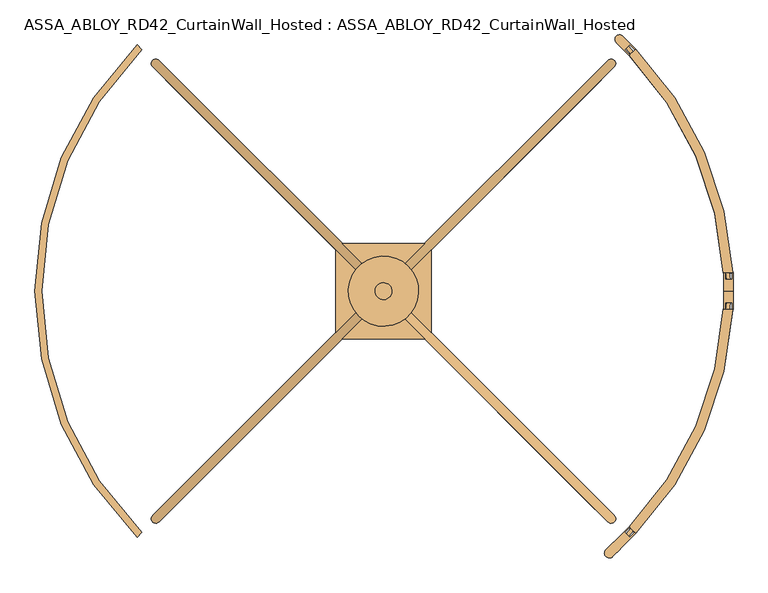
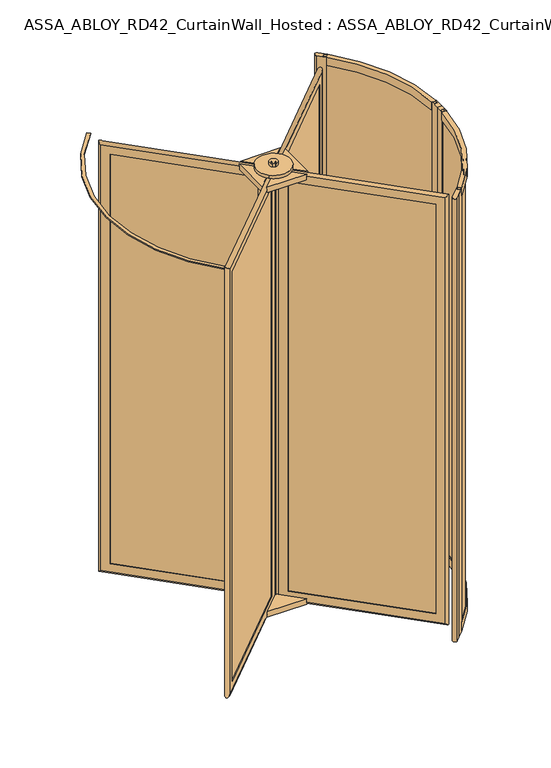
"""IFC4 building model written with IfcOpenShell, lengths in millimetres: door geometry, ASSA_ABLOY_RD42_CurtainWall_Hosted : ASSA_ABLOY_RD42_CurtainWall_Hosted."""

from ifc_helpers import new_model, si_unit, point, frame, frame_2d, origin, origin_with_axes, origin_2d, place, context, project, spatial, polyline, circle_curve, ellipse_curve, trimmed, segment, composite_curve, outline, extrude, source, transform, mapped, element, save
from ifc_brep_helpers import plane_surface, cylinder_surface, revolved_surface, advanced_brep


def assa_abloy_rd42_curtainwall_hosted_assa_abloy_rd42_11ab1eb0(model_context):
    return source(origin(), model_context, "Body", "SolidModel", [
        advanced_brep(
        [(605.2834047, -619.4255403, 105.0), (603.1620844, -621.5468607, 105.0), (603.1620844, -621.5468607, 2673.0), (605.2834047, -619.4255403, 2673.0), (633.5676759, -619.4255403, 85.0), (619.4255403, -633.5676759, 85.0), (619.4255403, -633.5676759, 2693.0), (633.5676759, -619.4255403, 2693.0), (621.5468607, -603.1620844, 105.0), (619.4255403, -605.2834047, 105.0), (619.4255403, -605.2834047, 2673.0), (621.5468607, -603.1620844, 2673.0), (639.931637, -658.3164133, 53.0), (658.3164133, -639.931637, 53.0), (658.3164133, -639.931637, 2725.0), (639.931637, -658.3164133, 2725.0), (48.0832611, -66.4680374, 2673.0), (50.2045815, -64.3467171, 2673.0), (36.0624458, -50.2045815, 2693.0), (50.2045815, -36.0624458, 2693.0), (64.3467171, -50.2045815, 2673.0), (66.4680374, -48.0832611, 2673.0), (29.6984848, -11.3137085, 2725.0), (11.3137085, -29.6984848, 2725.0), (48.0832611, -66.4680374, 105.0), (50.2045815, -64.3467171, 105.0), (36.0624458, -50.2045815, 85.0), (50.2045815, -36.0624458, 85.0), (64.3467171, -50.2045815, 105.0), (66.4680374, -48.0832611, 105.0), (29.6984848, -11.3137085, 53.0), (11.3137085, -29.6984848, 53.0)],
        [
            (0, 1),
            (1, 2),
            (2, 3),
            (3, 0),
            (4, 5),
            (5, 6),
            (6, 7),
            (7, 4),
            (8, 9),
            (9, 10),
            (10, 11),
            (11, 8),
            (12, 13, ellipse_curve(frame((649.1240251, -649.1240251, 53.0), z_axis=(0.4999999999999917, -0.5000000000000084, 0.7071067811865475), x_axis=(0.5000000000000054, -0.4999999999999945, -0.7071067811865476)), 18.3847763, 13.0)),
            (13, 14),
            (14, 15, ellipse_curve(frame((649.1240251, -649.1240251, 2725.0), z_axis=(0.5000000000000054, -0.49999999999999456, -0.7071067811865475), x_axis=(-0.4999999999999915, 0.5000000000000083, -0.7071067811865476)), 18.3847763, 13.0)),
            (15, 12),
            (2, 16),
            (16, 17),
            (17, 3),
            (6, 18),
            (18, 19),
            (19, 7),
            (10, 20),
            (20, 21),
            (21, 11),
            (14, 22),
            (22, 23, ellipse_curve(frame((20.5060967, -20.5060967, 2725.0), z_axis=(0.4999999999999917, -0.5000000000000084, 0.7071067811865475), x_axis=(0.5000000000000054, -0.4999999999999945, -0.7071067811865476)), 18.3847763, 13.0)),
            (23, 15),
            (16, 24),
            (24, 25),
            (25, 17),
            (18, 26),
            (26, 27),
            (27, 19),
            (20, 28),
            (28, 29),
            (29, 21),
            (22, 30),
            (30, 31, ellipse_curve(frame((20.5060967, -20.5060967, 53.0), z_axis=(-0.5000000000000054, 0.49999999999999456, 0.7071067811865475), x_axis=(0.4999999999999915, -0.5000000000000083, 0.7071067811865476)), 18.3847763, 13.0)),
            (31, 23),
            (24, 1),
            (0, 25),
            (5, 26),
            (4, 27),
            (9, 28),
            (8, 29),
            (13, 30),
            (12, 31),
        ],
        [
            plane_surface(frame((603.1620844, -621.5468607, 105.0), z_axis=(-0.7071067811865437, 0.7071067811865513, 0.0), x_axis=(0.0, 0.0, 1.0))),
            plane_surface(frame((619.4255403, -633.5676759, 85.0), z_axis=(-0.7071067811865452, 0.7071067811865498, 0.0), x_axis=(0.0, 0.0, 1.0))),
            plane_surface(frame((619.4255403, -605.2834047, 105.0), z_axis=(-0.7071067811865437, 0.7071067811865513, 0.0), x_axis=(0.0, 0.0, 1.0))),
            cylinder_surface(frame((649.1240251, -649.1240251, 40.0), z_axis=(0.0, 0.0, -1.0), x_axis=(-0.7071067811865456, 0.7071067811865497, 0.0)), 13.0),
            plane_surface(frame((603.1620844, -621.5468607, 2673.0), z_axis=(0.0, 0.0, -1.0), x_axis=(-0.7071067811865455, 0.7071067811865496, 0.0))),
            plane_surface(frame((619.4255403, -633.5676759, 2693.0), z_axis=(0.0, 0.0, -1.0), x_axis=(-0.7071067811865455, 0.7071067811865496, 0.0))),
            plane_surface(frame((619.4255403, -605.2834047, 2673.0), z_axis=(0.0, 0.0, -1.0), x_axis=(-0.7071067811865455, 0.7071067811865496, 0.0))),
            cylinder_surface(frame((658.3164133, -658.3164133, 2725.0), z_axis=(0.7071067811865456, -0.7071067811865497, 0.0), x_axis=(0.0, 0.0, -1.0)), 13.0),
            plane_surface(frame((48.0832611, -66.4680374, 2673.0), z_axis=(0.7071067811865472, -0.7071067811865478, 0.0), x_axis=(0.0, 0.0, -1.0))),
            plane_surface(frame((36.0624458, -50.2045815, 2693.0), z_axis=(0.7071067811865457, -0.7071067811865493, 0.0), x_axis=(0.0, 0.0, -1.0))),
            plane_surface(frame((64.3467171, -50.2045815, 2673.0), z_axis=(0.7071067811865472, -0.7071067811865478, 0.0), x_axis=(0.0, 0.0, -1.0))),
            cylinder_surface(frame((20.5060967, -20.5060967, 2738.0), z_axis=(0.0, 0.0, 1.0), x_axis=(0.7071067811865456, -0.7071067811865497, 0.0)), 13.0),
            plane_surface(frame((48.0832611, -66.4680374, 105.0), z_axis=(0.0, 0.0, 1.0), x_axis=(0.7071067811865455, -0.7071067811865496, 0.0))),
            plane_surface(frame((50.2045815, -64.3467171, 105.0), z_axis=(0.7071067811865496, 0.7071067811865455, 0.0), x_axis=(0.7071067811865455, -0.7071067811865496, 0.0))),
            plane_surface(frame((36.0624458, -50.2045815, 85.0), z_axis=(0.0, 0.0, 1.0), x_axis=(0.7071067811865455, -0.7071067811865496, 0.0))),
            plane_surface(frame((50.2045815, -36.0624458, 85.0), z_axis=(-0.7071067811865496, -0.7071067811865455, 0.0), x_axis=(0.7071067811865455, -0.7071067811865496, 0.0))),
            plane_surface(frame((64.3467171, -50.2045815, 105.0), z_axis=(0.0, 0.0, 1.0), x_axis=(0.7071067811865455, -0.7071067811865496, 0.0))),
            plane_surface(frame((66.4680374, -48.0832611, 105.0), z_axis=(0.7071067811865496, 0.7071067811865455, 0.0), x_axis=(0.7071067811865455, -0.7071067811865496, 0.0))),
            cylinder_surface(frame((11.3137085, -11.3137085, 53.0), z_axis=(-0.7071067811865456, 0.7071067811865497, 0.0), x_axis=(0.0, 0.0, 1.0)), 13.0),
            plane_surface(frame((11.3137085, -29.6984848, 53.0), z_axis=(-0.7071067811865496, -0.7071067811865455, 0.0), x_axis=(0.7071067811865455, -0.7071067811865496, 0.0))),
        ],
        [
            (0, [[1, 2, 3, 4]]),
            (1, [[5, 6, 7, 8]]),
            (2, [[9, 10, 11, 12]]),
            (3, [[13, 14, 15, 16]]),
            (4, [[-3, 17, 18, 19]]),
            (5, [[-7, 20, 21, 22]]),
            (6, [[-11, 23, 24, 25]]),
            (7, [[-15, 26, 27, 28]]),
            (8, [[-18, 29, 30, 31]]),
            (9, [[-21, 32, 33, 34]]),
            (10, [[-24, 35, 36, 37]]),
            (11, [[-27, 38, 39, 40]]),
            (12, [[-30, 41, -1, 42]]),
            (13, [[43, -32, -20, -6], [-19, -31, -42, -4]]),
            (14, [[-33, -43, -5, 44]]),
            (15, [[-22, -34, -44, -8], [45, -35, -23, -10]]),
            (16, [[-36, -45, -9, 46]]),
            (17, [[47, -38, -26, -14], [-25, -37, -46, -12]]),
            (18, [[-39, -47, -13, 48]]),
            (19, [[-28, -40, -48, -16], [-41, -29, -17, -2]]),
        ],
    ),
        extrude(outline(polyline([(630.032142, -622.9610742), (622.9610742, -630.032142), (39.5979797, -46.6690476), (46.6690476, -39.5979797), (630.032142, -622.9610742)])), frame((0.0, 0.0, 85.0), z_axis=(0.0, 0.0, 1.0), x_axis=(1.0, 0.0, 0.0)), (0.0, 0.0, 1.0), 2608.0),
        advanced_brep(
        [(-619.4255403, -605.2834047, 105.0), (-621.5468607, -603.1620844, 105.0), (-621.5468607, -603.1620844, 2673.0), (-619.4255403, -605.2834047, 2673.0), (-619.4255403, -633.5676759, 85.0), (-633.5676759, -619.4255403, 85.0), (-633.5676759, -619.4255403, 2693.0), (-619.4255403, -633.5676759, 2693.0), (-603.1620844, -621.5468607, 105.0), (-605.2834047, -619.4255403, 105.0), (-605.2834047, -619.4255403, 2673.0), (-603.1620844, -621.5468607, 2673.0), (-658.3164133, -639.931637, 53.0), (-639.931637, -658.3164133, 53.0), (-639.931637, -658.3164133, 2725.0), (-658.3164133, -639.931637, 2725.0), (-66.4680374, -48.0832611, 2673.0), (-64.3467171, -50.2045815, 2673.0), (-50.2045815, -36.0624458, 2693.0), (-36.0624458, -50.2045815, 2693.0), (-50.2045815, -64.3467171, 2673.0), (-48.0832611, -66.4680374, 2673.0), (-11.3137085, -29.6984848, 2725.0), (-29.6984848, -11.3137085, 2725.0), (-66.4680374, -48.0832611, 105.0), (-64.3467171, -50.2045815, 105.0), (-50.2045815, -36.0624458, 85.0), (-36.0624458, -50.2045815, 85.0), (-50.2045815, -64.3467171, 105.0), (-48.0832611, -66.4680374, 105.0), (-11.3137085, -29.6984848, 53.0), (-29.6984848, -11.3137085, 53.0)],
        [
            (0, 1),
            (1, 2),
            (2, 3),
            (3, 0),
            (4, 5),
            (5, 6),
            (6, 7),
            (7, 4),
            (8, 9),
            (9, 10),
            (10, 11),
            (11, 8),
            (12, 13, ellipse_curve(frame((-649.1240251, -649.1240251, 53.0), z_axis=(-0.5000000000000089, -0.49999999999999106, 0.7071067811865475), x_axis=(-0.49999999999999495, -0.5000000000000048, -0.7071067811865476)), 18.3847763, 13.0)),
            (13, 14),
            (14, 15, ellipse_curve(frame((-649.1240251, -649.1240251, 2725.0), z_axis=(-0.49999999999999506, -0.5000000000000049, -0.7071067811865475), x_axis=(0.5000000000000088, 0.49999999999999095, -0.7071067811865476)), 18.3847763, 13.0)),
            (15, 12),
            (2, 16),
            (16, 17),
            (17, 3),
            (6, 18),
            (18, 19),
            (19, 7),
            (10, 20),
            (20, 21),
            (21, 11),
            (14, 22),
            (22, 23, ellipse_curve(frame((-20.5060967, -20.5060967, 2725.0), z_axis=(-0.5000000000000089, -0.49999999999999106, 0.7071067811865475), x_axis=(-0.4999999999999951, -0.5000000000000049, -0.7071067811865474)), 18.3847763, 13.0)),
            (23, 15),
            (16, 24),
            (24, 25),
            (25, 17),
            (18, 26),
            (26, 27),
            (27, 19),
            (20, 28),
            (28, 29),
            (29, 21),
            (22, 30),
            (30, 31, ellipse_curve(frame((-20.5060967, -20.5060967, 53.0), z_axis=(0.49999999999999506, 0.5000000000000049, 0.7071067811865475), x_axis=(-0.5000000000000088, -0.49999999999999095, 0.7071067811865476)), 18.3847763, 13.0)),
            (31, 23),
            (24, 1),
            (0, 25),
            (5, 26),
            (4, 27),
            (9, 28),
            (8, 29),
            (13, 30),
            (12, 31),
        ],
        [
            plane_surface(frame((-621.5468607, -603.1620844, 105.0), z_axis=(0.7071067811865521, 0.7071067811865429, 0.0), x_axis=(0.0, 0.0, 1.0))),
            plane_surface(frame((-633.5676759, -619.4255403, 85.0), z_axis=(0.7071067811865506, 0.7071067811865445, 0.0), x_axis=(0.0, 0.0, 1.0))),
            plane_surface(frame((-605.2834047, -619.4255403, 105.0), z_axis=(0.7071067811865521, 0.7071067811865429, 0.0), x_axis=(0.0, 0.0, 1.0))),
            cylinder_surface(frame((-649.1240251, -649.1240251, 40.0), z_axis=(0.0, 0.0, -1.0), x_axis=(0.7071067811865503, 0.7071067811865447, 0.0)), 13.0),
            plane_surface(frame((-621.5468607, -603.1620844, 2673.0), z_axis=(0.0, 0.0, -1.0), x_axis=(0.7071067811865503, 0.7071067811865447, 0.0))),
            plane_surface(frame((-633.5676759, -619.4255403, 2693.0), z_axis=(0.0, 0.0, -1.0), x_axis=(0.7071067811865503, 0.7071067811865447, 0.0))),
            plane_surface(frame((-605.2834047, -619.4255403, 2673.0), z_axis=(0.0, 0.0, -1.0), x_axis=(0.7071067811865503, 0.7071067811865447, 0.0))),
            cylinder_surface(frame((-658.3164133, -658.3164133, 2725.0), z_axis=(-0.7071067811865503, -0.7071067811865447, 0.0), x_axis=(0.0, 0.0, -1.0)), 13.0),
            plane_surface(frame((-66.4680374, -48.0832611, 2673.0), z_axis=(-0.7071067811865486, -0.7071067811865465, 0.0), x_axis=(0.0, 0.0, -1.0))),
            plane_surface(frame((-50.2045815, -36.0624458, 2693.0), z_axis=(-0.7071067811865501, -0.7071067811865449, 0.0), x_axis=(0.0, 0.0, -1.0))),
            plane_surface(frame((-50.2045815, -64.3467171, 2673.0), z_axis=(-0.7071067811865486, -0.7071067811865465, 0.0), x_axis=(0.0, 0.0, -1.0))),
            cylinder_surface(frame((-20.5060967, -20.5060967, 2738.0), z_axis=(0.0, 0.0, 1.0), x_axis=(-0.7071067811865503, -0.7071067811865447, 0.0)), 13.0),
            plane_surface(frame((-66.4680374, -48.0832611, 105.0), z_axis=(0.0, 0.0, 1.0), x_axis=(-0.7071067811865503, -0.7071067811865447, 0.0))),
            plane_surface(frame((-64.3467171, -50.2045815, 105.0), z_axis=(0.7071067811865447, -0.7071067811865503, 0.0), x_axis=(-0.7071067811865503, -0.7071067811865447, 0.0))),
            plane_surface(frame((-50.2045815, -36.0624458, 85.0), z_axis=(0.0, 0.0, 1.0), x_axis=(-0.7071067811865503, -0.7071067811865447, 0.0))),
            plane_surface(frame((-36.0624458, -50.2045815, 85.0), z_axis=(-0.7071067811865447, 0.7071067811865503, 0.0), x_axis=(-0.7071067811865503, -0.7071067811865447, 0.0))),
            plane_surface(frame((-50.2045815, -64.3467171, 105.0), z_axis=(0.0, 0.0, 1.0), x_axis=(-0.7071067811865503, -0.7071067811865447, 0.0))),
            plane_surface(frame((-48.0832611, -66.4680374, 105.0), z_axis=(0.7071067811865447, -0.7071067811865503, 0.0), x_axis=(-0.7071067811865503, -0.7071067811865447, 0.0))),
            cylinder_surface(frame((-11.3137085, -11.3137085, 53.0), z_axis=(0.7071067811865503, 0.7071067811865447, 0.0), x_axis=(0.0, 0.0, 1.0)), 13.0),
            plane_surface(frame((-29.6984848, -11.3137085, 53.0), z_axis=(-0.7071067811865447, 0.7071067811865503, 0.0), x_axis=(-0.7071067811865503, -0.7071067811865447, 0.0))),
        ],
        [
            (0, [[1, 2, 3, 4]]),
            (1, [[5, 6, 7, 8]]),
            (2, [[9, 10, 11, 12]]),
            (3, [[13, 14, 15, 16]]),
            (4, [[-3, 17, 18, 19]]),
            (5, [[-7, 20, 21, 22]]),
            (6, [[-11, 23, 24, 25]]),
            (7, [[-15, 26, 27, 28]]),
            (8, [[-18, 29, 30, 31]]),
            (9, [[-21, 32, 33, 34]]),
            (10, [[-24, 35, 36, 37]]),
            (11, [[-27, 38, 39, 40]]),
            (12, [[-30, 41, -1, 42]]),
            (13, [[43, -32, -20, -6], [-19, -31, -42, -4]]),
            (14, [[-33, -43, -5, 44]]),
            (15, [[-22, -34, -44, -8], [45, -35, -23, -10]]),
            (16, [[-36, -45, -9, 46]]),
            (17, [[47, -38, -26, -14], [-25, -37, -46, -12]]),
            (18, [[-39, -47, -13, 48]]),
            (19, [[-28, -40, -48, -16], [-41, -29, -17, -2]]),
        ],
    ),
        extrude(outline(polyline([(-622.9610742, -630.032142), (-630.032142, -622.9610742), (-46.6690476, -39.5979797), (-39.5979797, -46.6690476), (-622.9610742, -630.032142)])), frame((0.0, 0.0, 85.0), z_axis=(0.0, 0.0, 1.0), x_axis=(1.0, 0.0, 0.0)), (0.0, 0.0, 1.0), 2608.0),
        advanced_brep(
        [(-605.2834047, 619.4255403, 105.0), (-603.1620844, 621.5468607, 105.0), (-603.1620844, 621.5468607, 2673.0), (-605.2834047, 619.4255403, 2673.0), (-633.5676759, 619.4255403, 85.0), (-619.4255403, 633.5676759, 85.0), (-619.4255403, 633.5676759, 2693.0), (-633.5676759, 619.4255403, 2693.0), (-621.5468607, 603.1620844, 105.0), (-619.4255403, 605.2834047, 105.0), (-619.4255403, 605.2834047, 2673.0), (-621.5468607, 603.1620844, 2673.0), (-639.931637, 658.3164133, 53.0), (-658.3164133, 639.931637, 53.0), (-658.3164133, 639.931637, 2725.0), (-639.931637, 658.3164133, 2725.0), (-48.0832611, 66.4680374, 2673.0), (-50.2045815, 64.3467171, 2673.0), (-36.0624458, 50.2045815, 2693.0), (-50.2045815, 36.0624458, 2693.0), (-64.3467171, 50.2045815, 2673.0), (-66.4680374, 48.0832611, 2673.0), (-29.6984848, 11.3137085, 2725.0), (-11.3137085, 29.6984848, 2725.0), (-48.0832611, 66.4680374, 105.0), (-50.2045815, 64.3467171, 105.0), (-36.0624458, 50.2045815, 85.0), (-50.2045815, 36.0624458, 85.0), (-64.3467171, 50.2045815, 105.0), (-66.4680374, 48.0832611, 105.0), (-29.6984848, 11.3137085, 53.0), (-11.3137085, 29.6984848, 53.0)],
        [
            (0, 1),
            (1, 2),
            (2, 3),
            (3, 0),
            (4, 5),
            (5, 6),
            (6, 7),
            (7, 4),
            (8, 9),
            (9, 10),
            (10, 11),
            (11, 8),
            (12, 13, ellipse_curve(frame((-649.1240251, 649.1240251, 53.0), z_axis=(-0.4999999999999913, 0.5000000000000087, 0.7071067811865475), x_axis=(-0.500000000000005, 0.4999999999999947, -0.7071067811865476)), 18.3847763, 13.0)),
            (13, 14),
            (14, 15, ellipse_curve(frame((-649.1240251, 649.1240251, 2725.0), z_axis=(-0.5000000000000051, 0.4999999999999948, -0.7071067811865475), x_axis=(0.4999999999999912, -0.5000000000000085, -0.7071067811865476)), 18.3847763, 13.0)),
            (15, 12),
            (2, 16),
            (16, 17),
            (17, 3),
            (6, 18),
            (18, 19),
            (19, 7),
            (10, 20),
            (20, 21),
            (21, 11),
            (14, 22),
            (22, 23, ellipse_curve(frame((-20.5060967, 20.5060967, 2725.0), z_axis=(-0.4999999999999913, 0.5000000000000087, 0.7071067811865475), x_axis=(-0.5000000000000052, 0.49999999999999495, -0.7071067811865475)), 18.3847763, 13.0)),
            (23, 15),
            (16, 24),
            (24, 25),
            (25, 17),
            (18, 26),
            (26, 27),
            (27, 19),
            (20, 28),
            (28, 29),
            (29, 21),
            (22, 30),
            (30, 31, ellipse_curve(frame((-20.5060967, 20.5060967, 53.0), z_axis=(0.5000000000000051, -0.4999999999999948, 0.7071067811865475), x_axis=(-0.4999999999999912, 0.5000000000000085, 0.7071067811865476)), 18.3847763, 13.0)),
            (31, 23),
            (24, 1),
            (0, 25),
            (5, 26),
            (4, 27),
            (9, 28),
            (8, 29),
            (13, 30),
            (12, 31),
        ],
        [
            plane_surface(frame((-603.1620844, 621.5468607, 105.0), z_axis=(0.7071067811865432, -0.7071067811865518, 0.0), x_axis=(0.0, 0.0, 1.0))),
            plane_surface(frame((-619.4255403, 633.5676759, 85.0), z_axis=(0.7071067811865448, -0.7071067811865502, 0.0), x_axis=(0.0, 0.0, 1.0))),
            plane_surface(frame((-619.4255403, 605.2834047, 105.0), z_axis=(0.7071067811865432, -0.7071067811865518, 0.0), x_axis=(0.0, 0.0, 1.0))),
            cylinder_surface(frame((-649.1240251, 649.1240251, 40.0), z_axis=(0.0, 0.0, -1.0), x_axis=(0.707106781186545, -0.70710678118655, 0.0)), 13.0),
            plane_surface(frame((-603.1620844, 621.5468607, 2673.0), z_axis=(0.0, 0.0, -1.0), x_axis=(0.707106781186545, -0.70710678118655, 0.0))),
            plane_surface(frame((-619.4255403, 633.5676759, 2693.0), z_axis=(0.0, 0.0, -1.0), x_axis=(0.707106781186545, -0.70710678118655, 0.0))),
            plane_surface(frame((-619.4255403, 605.2834047, 2673.0), z_axis=(0.0, 0.0, -1.0), x_axis=(0.707106781186545, -0.70710678118655, 0.0))),
            cylinder_surface(frame((-658.3164133, 658.3164133, 2725.0), z_axis=(-0.707106781186545, 0.70710678118655, 0.0), x_axis=(0.0, 0.0, -1.0)), 13.0),
            plane_surface(frame((-48.0832611, 66.4680374, 2673.0), z_axis=(-0.7071067811865468, 0.7071067811865482, 0.0), x_axis=(0.0, 0.0, -1.0))),
            plane_surface(frame((-36.0624458, 50.2045815, 2693.0), z_axis=(-0.7071067811865452, 0.7071067811865498, 0.0), x_axis=(0.0, 0.0, -1.0))),
            plane_surface(frame((-64.3467171, 50.2045815, 2673.0), z_axis=(-0.7071067811865468, 0.7071067811865482, 0.0), x_axis=(0.0, 0.0, -1.0))),
            cylinder_surface(frame((-20.5060967, 20.5060967, 2738.0), z_axis=(0.0, 0.0, 1.0), x_axis=(-0.707106781186545, 0.70710678118655, 0.0)), 13.0),
            plane_surface(frame((-48.0832611, 66.4680374, 105.0), z_axis=(0.0, 0.0, 1.0), x_axis=(-0.707106781186545, 0.70710678118655, 0.0))),
            plane_surface(frame((-50.2045815, 64.3467171, 105.0), z_axis=(-0.70710678118655, -0.707106781186545, 0.0), x_axis=(-0.707106781186545, 0.70710678118655, 0.0))),
            plane_surface(frame((-36.0624458, 50.2045815, 85.0), z_axis=(0.0, 0.0, 1.0), x_axis=(-0.707106781186545, 0.70710678118655, 0.0))),
            plane_surface(frame((-50.2045815, 36.0624458, 85.0), z_axis=(0.70710678118655, 0.707106781186545, 0.0), x_axis=(-0.707106781186545, 0.70710678118655, 0.0))),
            plane_surface(frame((-64.3467171, 50.2045815, 105.0), z_axis=(0.0, 0.0, 1.0), x_axis=(-0.707106781186545, 0.70710678118655, 0.0))),
            plane_surface(frame((-66.4680374, 48.0832611, 105.0), z_axis=(-0.70710678118655, -0.707106781186545, 0.0), x_axis=(-0.707106781186545, 0.70710678118655, 0.0))),
            cylinder_surface(frame((-11.3137085, 11.3137085, 53.0), z_axis=(0.707106781186545, -0.70710678118655, 0.0), x_axis=(0.0, 0.0, 1.0)), 13.0),
            plane_surface(frame((-11.3137085, 29.6984848, 53.0), z_axis=(0.70710678118655, 0.707106781186545, 0.0), x_axis=(-0.707106781186545, 0.70710678118655, 0.0))),
        ],
        [
            (0, [[1, 2, 3, 4]]),
            (1, [[5, 6, 7, 8]]),
            (2, [[9, 10, 11, 12]]),
            (3, [[13, 14, 15, 16]]),
            (4, [[-3, 17, 18, 19]]),
            (5, [[-7, 20, 21, 22]]),
            (6, [[-11, 23, 24, 25]]),
            (7, [[-15, 26, 27, 28]]),
            (8, [[-18, 29, 30, 31]]),
            (9, [[-21, 32, 33, 34]]),
            (10, [[-24, 35, 36, 37]]),
            (11, [[-27, 38, 39, 40]]),
            (12, [[-30, 41, -1, 42]]),
            (13, [[43, -32, -20, -6], [-19, -31, -42, -4]]),
            (14, [[-33, -43, -5, 44]]),
            (15, [[-22, -34, -44, -8], [45, -35, -23, -10]]),
            (16, [[-36, -45, -9, 46]]),
            (17, [[47, -38, -26, -14], [-25, -37, -46, -12]]),
            (18, [[-39, -47, -13, 48]]),
            (19, [[-28, -40, -48, -16], [-41, -29, -17, -2]]),
        ],
    ),
        extrude(outline(polyline([(-630.032142, 622.9610742), (-622.9610742, 630.032142), (-39.5979797, 46.6690476), (-46.6690476, 39.5979797), (-630.032142, 622.9610742)])), frame((0.0, 0.0, 85.0), z_axis=(0.0, 0.0, 1.0), x_axis=(1.0, 0.0, 0.0)), (0.0, 0.0, 1.0), 2608.0),
        advanced_brep(
        [(619.4255403, 605.2834047, 105.0), (621.5468607, 603.1620844, 105.0), (621.5468607, 603.1620844, 2673.0), (619.4255403, 605.2834047, 2673.0), (619.4255403, 633.5676759, 85.0), (633.5676759, 619.4255403, 85.0), (633.5676759, 619.4255403, 2693.0), (619.4255403, 633.5676759, 2693.0), (603.1620844, 621.5468607, 105.0), (605.2834047, 619.4255403, 105.0), (605.2834047, 619.4255403, 2673.0), (603.1620844, 621.5468607, 2673.0), (658.3164133, 639.931637, 53.0), (639.931637, 658.3164133, 53.0), (639.931637, 658.3164133, 2725.0), (658.3164133, 639.931637, 2725.0), (66.4680374, 48.0832611, 2673.0), (64.3467171, 50.2045815, 2673.0), (50.2045815, 36.0624458, 2693.0), (36.0624458, 50.2045815, 2693.0), (50.2045815, 64.3467171, 2673.0), (48.0832611, 66.4680374, 2673.0), (11.3137085, 29.6984848, 2725.0), (29.6984848, 11.3137085, 2725.0), (66.4680374, 48.0832611, 105.0), (64.3467171, 50.2045815, 105.0), (50.2045815, 36.0624458, 85.0), (36.0624458, 50.2045815, 85.0), (50.2045815, 64.3467171, 105.0), (48.0832611, 66.4680374, 105.0), (11.3137085, 29.6984848, 53.0), (29.6984848, 11.3137085, 53.0)],
        [
            (0, 1),
            (1, 2),
            (2, 3),
            (3, 0),
            (4, 5),
            (5, 6),
            (6, 7),
            (7, 4),
            (8, 9),
            (9, 10),
            (10, 11),
            (11, 8),
            (12, 13, ellipse_curve(frame((649.1240251, 649.1240251, 53.0), z_axis=(0.5000000000000073, 0.4999999999999926, 0.7071067811865475), x_axis=(0.4999999999999934, 0.5000000000000063, -0.7071067811865476)), 18.3847763, 13.0)),
            (13, 14),
            (14, 15, ellipse_curve(frame((649.1240251, 649.1240251, 2725.0), z_axis=(0.49999999999999345, 0.5000000000000064, -0.7071067811865475), x_axis=(-0.5000000000000072, -0.4999999999999925, -0.7071067811865476)), 18.3847763, 13.0)),
            (15, 12),
            (2, 16),
            (16, 17),
            (17, 3),
            (6, 18),
            (18, 19),
            (19, 7),
            (10, 20),
            (20, 21),
            (21, 11),
            (14, 22),
            (22, 23, ellipse_curve(frame((20.5060967, 20.5060967, 2725.0), z_axis=(0.5000000000000073, 0.4999999999999926, 0.7071067811865475), x_axis=(0.4999999999999936, 0.5000000000000066, -0.7071067811865475)), 18.3847763, 13.0)),
            (23, 15),
            (16, 24),
            (24, 25),
            (25, 17),
            (18, 26),
            (26, 27),
            (27, 19),
            (20, 28),
            (28, 29),
            (29, 21),
            (22, 30),
            (30, 31, ellipse_curve(frame((20.5060967, 20.5060967, 53.0), z_axis=(-0.49999999999999345, -0.5000000000000064, 0.7071067811865475), x_axis=(0.5000000000000072, 0.4999999999999925, 0.7071067811865476)), 18.3847763, 13.0)),
            (31, 23),
            (24, 1),
            (0, 25),
            (5, 26),
            (4, 27),
            (9, 28),
            (8, 29),
            (13, 30),
            (12, 31),
        ],
        [
            plane_surface(frame((621.5468607, 603.1620844, 105.0), z_axis=(-0.7071067811865499, -0.7071067811865451, 0.0), x_axis=(0.0, 0.0, 1.0))),
            plane_surface(frame((633.5676759, 619.4255403, 85.0), z_axis=(-0.7071067811865483, -0.7071067811865467, 0.0), x_axis=(0.0, 0.0, 1.0))),
            plane_surface(frame((605.2834047, 619.4255403, 105.0), z_axis=(-0.7071067811865499, -0.7071067811865451, 0.0), x_axis=(0.0, 0.0, 1.0))),
            cylinder_surface(frame((649.1240251, 649.1240251, 40.0), z_axis=(0.0, 0.0, -1.0), x_axis=(-0.7071067811865481, -0.7071067811865469, 0.0)), 13.0),
            plane_surface(frame((621.5468607, 603.1620844, 2673.0), z_axis=(0.0, 0.0, -1.0), x_axis=(-0.7071067811865481, -0.7071067811865469, 0.0))),
            plane_surface(frame((633.5676759, 619.4255403, 2693.0), z_axis=(0.0, 0.0, -1.0), x_axis=(-0.7071067811865481, -0.7071067811865469, 0.0))),
            plane_surface(frame((605.2834047, 619.4255403, 2673.0), z_axis=(0.0, 0.0, -1.0), x_axis=(-0.7071067811865481, -0.7071067811865469, 0.0))),
            cylinder_surface(frame((658.3164133, 658.3164133, 2725.0), z_axis=(0.7071067811865481, 0.7071067811865469, 0.0), x_axis=(0.0, 0.0, -1.0)), 13.0),
            plane_surface(frame((66.4680374, 48.0832611, 2673.0), z_axis=(0.7071067811865464, 0.7071067811865487, 0.0), x_axis=(0.0, 0.0, -1.0))),
            plane_surface(frame((50.2045815, 36.0624458, 2693.0), z_axis=(0.7071067811865479, 0.7071067811865471, 0.0), x_axis=(0.0, 0.0, -1.0))),
            plane_surface(frame((50.2045815, 64.3467171, 2673.0), z_axis=(0.7071067811865464, 0.7071067811865487, 0.0), x_axis=(0.0, 0.0, -1.0))),
            cylinder_surface(frame((20.5060967, 20.5060967, 2738.0), z_axis=(0.0, 0.0, 1.0), x_axis=(0.7071067811865481, 0.7071067811865469, 0.0)), 13.0),
            plane_surface(frame((66.4680374, 48.0832611, 105.0), z_axis=(0.0, 0.0, 1.0), x_axis=(0.7071067811865481, 0.7071067811865469, 0.0))),
            plane_surface(frame((64.3467171, 50.2045815, 105.0), z_axis=(-0.7071067811865469, 0.7071067811865481, 0.0), x_axis=(0.7071067811865481, 0.7071067811865469, 0.0))),
            plane_surface(frame((50.2045815, 36.0624458, 85.0), z_axis=(0.0, 0.0, 1.0), x_axis=(0.7071067811865481, 0.7071067811865469, 0.0))),
            plane_surface(frame((36.0624458, 50.2045815, 85.0), z_axis=(0.7071067811865469, -0.7071067811865481, 0.0), x_axis=(0.7071067811865481, 0.7071067811865469, 0.0))),
            plane_surface(frame((50.2045815, 64.3467171, 105.0), z_axis=(0.0, 0.0, 1.0), x_axis=(0.7071067811865481, 0.7071067811865469, 0.0))),
            plane_surface(frame((48.0832611, 66.4680374, 105.0), z_axis=(-0.7071067811865469, 0.7071067811865481, 0.0), x_axis=(0.7071067811865481, 0.7071067811865469, 0.0))),
            cylinder_surface(frame((11.3137085, 11.3137085, 53.0), z_axis=(-0.7071067811865481, -0.7071067811865469, 0.0), x_axis=(0.0, 0.0, 1.0)), 13.0),
            plane_surface(frame((29.6984848, 11.3137085, 53.0), z_axis=(0.7071067811865469, -0.7071067811865481, 0.0), x_axis=(0.7071067811865481, 0.7071067811865469, 0.0))),
        ],
        [
            (0, [[1, 2, 3, 4]]),
            (1, [[5, 6, 7, 8]]),
            (2, [[9, 10, 11, 12]]),
            (3, [[13, 14, 15, 16]]),
            (4, [[-3, 17, 18, 19]]),
            (5, [[-7, 20, 21, 22]]),
            (6, [[-11, 23, 24, 25]]),
            (7, [[-15, 26, 27, 28]]),
            (8, [[-18, 29, 30, 31]]),
            (9, [[-21, 32, 33, 34]]),
            (10, [[-24, 35, 36, 37]]),
            (11, [[-27, 38, 39, 40]]),
            (12, [[-30, 41, -1, 42]]),
            (13, [[43, -32, -20, -6], [-19, -31, -42, -4]]),
            (14, [[-33, -43, -5, 44]]),
            (15, [[-22, -34, -44, -8], [45, -35, -23, -10]]),
            (16, [[-36, -45, -9, 46]]),
            (17, [[47, -38, -26, -14], [-25, -37, -46, -12]]),
            (18, [[-39, -47, -13, 48]]),
            (19, [[-28, -40, -48, -16], [-41, -29, -17, -2]]),
        ],
    ),
        extrude(outline(polyline([(622.9610742, 630.032142), (630.032142, 622.9610742), (46.6690476, 39.5979797), (39.5979797, 46.6690476), (622.9610742, 630.032142)])), frame((0.0, 0.0, 85.0), z_axis=(0.0, 0.0, 1.0), x_axis=(1.0, 0.0, 0.0)), (0.0, 0.0, 1.0), 2608.0),
        extrude(outline(composite_curve([segment(trimmed(circle_curve(origin_2d(), 24.0), [point((-16.9705627, -16.9705627))], [point((16.9705627, 16.9705627))], False, "CARTESIAN"), True, "CONTINUOUS"), segment(trimmed(circle_curve(origin_2d(), 24.0), [point((16.9705627, 16.9705627))], [point((-16.9705627, -16.9705627))], False, "CARTESIAN"), True, "CONTINUOUS")], self_intersect=False)), origin_with_axes(), (0.0, 0.0, 1.0), 20.0),
        extrude(outline(composite_curve([segment(trimmed(circle_curve(origin_2d(), 100.0), [point((-70.7106781, -70.7106781))], [point((70.7106781, 70.7106781))], False, "CARTESIAN"), True, "CONTINUOUS"), segment(trimmed(circle_curve(origin_2d(), 100.0), [point((70.7106781, 70.7106781))], [point((-70.7106781, -70.7106781))], False, "CARTESIAN"), True, "CONTINUOUS")], self_intersect=False)), frame((0.0, 0.0, 20.0), z_axis=(0.0, 0.0, 1.0), x_axis=(1.0, 0.0, 0.0)), (0.0, 0.0, 1.0), 20.0),
        extrude(outline(composite_curve([segment(trimmed(circle_curve(origin_2d(), 24.0), [point((16.9705627, 16.9705627))], [point((-16.9705627, -16.9705627))], False, "CARTESIAN"), True, "CONTINUOUS"), segment(trimmed(circle_curve(origin_2d(), 24.0), [point((-16.9705627, -16.9705627))], [point((16.9705627, 16.9705627))], False, "CARTESIAN"), True, "CONTINUOUS")], self_intersect=False)), frame((0.0, 0.0, 2758.0), z_axis=(0.0, 0.0, 1.0), x_axis=(1.0, 0.0, 0.0)), (0.0, 0.0, 1.0), 20.0),
        extrude(outline(composite_curve([segment(trimmed(circle_curve(origin_2d(), 100.0), [point((70.7106781, 70.7106781))], [point((-70.7106781, -70.7106781))], False, "CARTESIAN"), True, "CONTINUOUS"), segment(trimmed(circle_curve(origin_2d(), 100.0), [point((-70.7106781, -70.7106781))], [point((70.7106781, 70.7106781))], False, "CARTESIAN"), True, "CONTINUOUS")], self_intersect=False)), frame((0.0, 0.0, 2738.0), z_axis=(0.0, 0.0, 1.0), x_axis=(1.0, 0.0, 0.0)), (0.0, 0.0, 1.0), 20.0),
        extrude(outline(composite_curve([segment(trimmed(circle_curve(origin_2d(), 12.5), [point((-8.8388348, -8.8388348))], [point((8.8388348, 8.8388348))], False, "CARTESIAN"), True, "CONTINUOUS"), segment(trimmed(circle_curve(origin_2d(), 12.5), [point((8.8388348, 8.8388348))], [point((-8.8388348, -8.8388348))], False, "CARTESIAN"), True, "CONTINUOUS")], self_intersect=False)), origin_with_axes(), (0.0, 0.0, 1.0), 2778.0),
        extrude(outline(polyline([(-136.0, 117.6152237), (-18.3847763, 0.0), (-136.0, -117.6152237), (-136.0, 117.6152237)])), frame((0.0, 0.0, 2703.0), z_axis=(0.0, 0.0, 1.0), x_axis=(1.0, 0.0, 0.0)), (0.0, 0.0, 1.0), 35.0),
        extrude(outline(polyline([(-117.6152237, -136.0), (0.0, -18.3847763), (117.6152237, -136.0), (-117.6152237, -136.0)])), frame((0.0, 0.0, 2703.0), z_axis=(0.0, 0.0, 1.0), x_axis=(1.0, 0.0, 0.0)), (0.0, 0.0, 1.0), 35.0),
        extrude(outline(polyline([(136.0, -117.6152237), (18.3847763, 0.0), (136.0, 117.6152237), (136.0, -117.6152237)])), frame((0.0, 0.0, 2703.0), z_axis=(0.0, 0.0, 1.0), x_axis=(1.0, 0.0, 0.0)), (0.0, 0.0, 1.0), 35.0),
        extrude(outline(polyline([(117.6152237, 136.0), (0.0, 18.3847763), (-117.6152237, 136.0), (117.6152237, 136.0)])), frame((0.0, 0.0, 2703.0), z_axis=(0.0, 0.0, 1.0), x_axis=(1.0, 0.0, 0.0)), (0.0, 0.0, 1.0), 35.0),
        extrude(outline(polyline([(-136.0, 117.6152237), (-18.3847763, 0.0), (-136.0, -117.6152237), (-136.0, 117.6152237)])), frame((0.0, 0.0, 40.0), z_axis=(0.0, 0.0, 1.0), x_axis=(1.0, 0.0, 0.0)), (0.0, 0.0, 1.0), 35.0),
        extrude(outline(polyline([(-117.6152237, -136.0), (0.0, -18.3847763), (117.6152237, -136.0), (-117.6152237, -136.0)])), frame((0.0, 0.0, 40.0), z_axis=(0.0, 0.0, 1.0), x_axis=(1.0, 0.0, 0.0)), (0.0, 0.0, 1.0), 35.0),
        extrude(outline(polyline([(136.0, -117.6152237), (18.3847763, 0.0), (136.0, 117.6152237), (136.0, -117.6152237)])), frame((0.0, 0.0, 40.0), z_axis=(0.0, 0.0, 1.0), x_axis=(1.0, 0.0, 0.0)), (0.0, 0.0, 1.0), 35.0),
        extrude(outline(polyline([(117.6152237, 136.0), (0.0, 18.3847763), (-117.6152237, 136.0), (117.6152237, 136.0)])), frame((0.0, 0.0, 40.0), z_axis=(0.0, 0.0, 1.0), x_axis=(1.0, 0.0, 0.0)), (0.0, 0.0, 1.0), 35.0),
        extrude(outline(composite_curve([segment(trimmed(circle_curve(origin_2d(), 974.0), [point((-688.7220049, 688.7220049))], [point((-688.7220049, -688.7220049))], True, "CARTESIAN"), True, "CONTINUOUS"), segment(polyline([(-688.7220049, -688.7220049), (-702.8641405, -702.8641405)]), True, "CONTINUOUS"), segment(trimmed(circle_curve(origin_2d(), 994.0), [point((-702.8641405, -702.8641405))], [point((-702.8641405, 702.8641405))], False, "CARTESIAN"), True, "CONTINUOUS"), segment(polyline([(-702.8641405, 702.8641405), (-688.7220049, 688.7220049)]), True, "CONTINUOUS")], self_intersect=False)), frame((0.0, 0.0, 2773.0), z_axis=(0.0, 0.0, 1.0), x_axis=(1.0, 0.0, 0.0)), (0.0, 0.0, 1.0), 5.0),
        extrude(outline(composite_curve([segment(trimmed(circle_curve(origin_2d(), 989.0), [point((699.3286066, 699.3286066))], [point((988.4436781, 33.1676829))], False, "CARTESIAN"), True, "CONTINUOUS"), segment(polyline([(988.4436781, 33.1676829), (978.4493032, 32.8323171)]), True, "CONTINUOUS"), segment(trimmed(circle_curve(origin_2d(), 979.0), [point((978.4493032, 32.8323171))], [point((692.2575388, 692.2575388))], True, "CARTESIAN"), True, "CONTINUOUS"), segment(polyline([(692.2575388, 692.2575388), (699.3286066, 699.3286066)]), True, "CONTINUOUS")], self_intersect=False)), frame((0.0, 0.0, 33.0), z_axis=(0.0, 0.0, 1.0), x_axis=(1.0, 0.0, 0.0)), (0.0, 0.0, 1.0), 2715.0),
        extrude(outline(composite_curve([segment(trimmed(circle_curve(origin_2d(), 989.0), [point((988.4436781, -33.1676829))], [point((699.3286066, -699.3286066))], False, "CARTESIAN"), True, "CONTINUOUS"), segment(polyline([(699.3286066, -699.3286066), (692.2575388, -692.2575388)]), True, "CONTINUOUS"), segment(trimmed(circle_curve(origin_2d(), 979.0), [point((692.2575388, -692.2575388))], [point((978.4493032, -32.8323171))], True, "CARTESIAN"), True, "CONTINUOUS"), segment(polyline([(978.4493032, -32.8323171), (988.4436781, -33.1676829)]), True, "CONTINUOUS")], self_intersect=False)), frame((0.0, 0.0, 33.0), z_axis=(0.0, 0.0, 1.0), x_axis=(1.0, 0.0, 0.0)), (0.0, 0.0, 1.0), 2715.0),
        extrude(outline(composite_curve([segment(polyline([(702.863883, -702.863883), (717.0060186, -688.7217474), (719.1270815, -690.8428103), (674.5793543, -735.3905375), (675.2864632, -736.0976464), (654.0719672, -757.3121425)]), True, "CONTINUOUS"), segment(trimmed(circle_curve(frame_2d((644.1727276, -747.4129028)), 13.9996389), [point((654.0719672, -757.3121425))], [point((634.273488, -737.5136632))], False, "CARTESIAN"), True, "CONTINUOUS"), segment(polyline([(634.273488, -737.5136632), (655.487984, -716.2991672), (656.1950929, -717.0062761), (700.7428202, -672.4585489), (702.863883, -674.5796118), (688.7217474, -688.7217474), (702.863883, -702.863883)]), True, "CONTINUOUS")], self_intersect=False)), origin_with_axes(), (0.0, 0.0, 1.0), 2778.0),
        extrude(outline(composite_curve([segment(polyline([(702.863883, 702.863883), (688.7217474, 688.7217474), (702.863883, 674.5796118), (700.7428202, 672.4585489), (663.9730099, 709.2283592)]), True, "CONTINUOUS"), segment(trimmed(circle_curve(frame_2d((673.1651406, 718.4204898)), 12.9996359), [point((663.9730099, 709.2283592))], [point((682.3572713, 727.6126205))], False, "CARTESIAN"), True, "CONTINUOUS"), segment(polyline([(682.3572713, 727.6126205), (719.1270815, 690.8428103), (717.0060186, 688.7217474), (702.863883, 702.863883)]), True, "CONTINUOUS")], self_intersect=False)), origin_with_axes(), (0.0, 0.0, 1.0), 2778.0),
        advanced_brep(
        [(700.2358565, 672.6891892, 0.0), (700.2358565, 672.6891892, 53.0), (702.3993041, 674.7675286, 53.0), (702.3993041, 674.7675286, 33.0), (716.8222877, 688.6231246, 33.0), (716.8222877, 688.6231246, 53.0), (718.9857353, 690.701464, 53.0), (718.9857353, 690.701464, 0.0), (969.6270403, 51.6178536, 0.0), (995.5902772, 53.0, 0.0), (995.5902772, 53.0, 53.0), (992.5945191, 52.8405216, 53.0), (992.5945191, 52.8405216, 33.0), (972.6227984, 51.777332, 33.0), (972.6227984, 51.777332, 53.0), (969.6270403, 51.6178536, 53.0)],
        [
            (0, 1),
            (1, 2),
            (2, 3),
            (3, 4),
            (4, 5),
            (5, 6),
            (6, 7),
            (7, 0),
            (8, 9),
            (9, 10),
            (10, 11),
            (11, 12),
            (12, 13),
            (13, 14),
            (14, 15),
            (15, 8),
            (15, 1, circle_curve(frame((0.0, 0.0, 53.0), z_axis=(0.0, 0.0, 1.0), x_axis=(0.7211491828452432, 0.6927798034596837, 0.0)), 971.0)),
            (0, 8, circle_curve(frame((0.0, 0.0, 0.0), z_axis=(0.0, 0.0, -1.0), x_axis=(0.7211491828452432, 0.6927798034596837, 0.0)), 971.0)),
            (14, 2, circle_curve(frame((0.0, 0.0, 53.0), z_axis=(0.0, 0.0, 1.0), x_axis=(0.7211491828452432, 0.6927798034596837, 0.0)), 974.0)),
            (13, 3, circle_curve(frame((0.0, 0.0, 33.0), z_axis=(0.0, 0.0, 1.0), x_axis=(0.7211491828452432, 0.6927798034596837, 0.0)), 974.0)),
            (12, 4, circle_curve(frame((0.0, 0.0, 33.0), z_axis=(0.0, 0.0, 1.0), x_axis=(0.7211491828452432, 0.6927798034596837, 0.0)), 994.0)),
            (11, 5, circle_curve(frame((0.0, 0.0, 53.0), z_axis=(0.0, 0.0, 1.0), x_axis=(0.7211491828452432, 0.6927798034596837, 0.0)), 994.0)),
            (10, 6, circle_curve(frame((0.0, 0.0, 53.0), z_axis=(0.0, 0.0, 1.0), x_axis=(0.7211491828452432, 0.6927798034596837, 0.0)), 997.0)),
            (9, 7, circle_curve(frame((0.0, 0.0, 0.0), z_axis=(0.0, 0.0, 1.0), x_axis=(0.7211491828452432, 0.6927798034596837, 0.0)), 997.0)),
        ],
        [
            plane_surface(frame((718.9857353, 690.701464, 0.0), z_axis=(-0.6927798034596837, 0.7211491828452432, 0.0), x_axis=(0.0, 0.0, 1.0))),
            plane_surface(frame((995.5902772, 53.0, 0.0), z_axis=(0.053159478435430674, -0.9985860352781193, 0.0), x_axis=(0.0, 0.0, 1.0))),
            revolved_surface(polyline([(700.2358565427312, 672.6891891593528, 0.0), (700.2358565427312, 672.6891891593528, 53.0)]), (0.0, 0.0, 0.0), (0.0, 0.0, -1.0)),
            plane_surface(frame((0.0, 0.0, 53.0), z_axis=(0.0, 0.0, 1.0), x_axis=(0.7211491828452432, 0.6927798034596837, 0.0))),
            cylinder_surface(frame((0.0, 0.0, 0.0), z_axis=(0.0, 0.0, -1.0), x_axis=(0.7211491828452432, 0.6927798034596837, 0.0)), 974.0),
            plane_surface(frame((0.0, 0.0, 33.0), z_axis=(0.0, 0.0, 1.0), x_axis=(0.7211491828452432, 0.6927798034596837, 0.0))),
            revolved_surface(polyline([(716.8222877481718, 688.6231246389256, 33.0), (716.8222877481718, 688.6231246389256, 53.0)]), (0.0, 0.0, 0.0), (0.0, 0.0, -1.0)),
            cylinder_surface(frame((0.0, 0.0, 0.0), z_axis=(0.0, 0.0, -1.0), x_axis=(0.7211491828452432, 0.6927798034596837, 0.0)), 997.0),
            plane_surface(frame((0.0, 0.0, 0.0), z_axis=(0.0, 0.0, -1.0), x_axis=(0.7211491828452432, 0.6927798034596837, 0.0))),
        ],
        [
            (0, [[1, 2, 3, 4, 5, 6, 7, 8]]),
            (1, [[9, 10, 11, 12, 13, 14, 15, 16]]),
            (2, [[17, -1, 18, -16]]),
            (3, [[19, -2, -17, -15]]),
            (4, [[20, -3, -19, -14]]),
            (5, [[21, -4, -20, -13]]),
            (6, [[22, -5, -21, -12]]),
            (3, [[23, -6, -22, -11]]),
            (7, [[24, -7, -23, -10]]),
            (8, [[-18, -8, -24, -9]]),
        ],
    ),
        advanced_brep(
        [(969.6270403, 51.6178536, 2778.0), (969.6270403, 51.6178536, 2728.0), (972.6227984, 51.777332, 2728.0), (972.6227984, 51.777332, 2748.0), (992.5945191, 52.8405216, 2748.0), (992.5945191, 52.8405216, 2728.0), (995.5902772, 53.0, 2728.0), (995.5902772, 53.0, 2778.0), (700.2358565, 672.6891892, 2778.0), (718.9857353, 690.701464, 2778.0), (718.9857353, 690.701464, 2728.0), (716.8222877, 688.6231246, 2728.0), (716.8222877, 688.6231246, 2748.0), (702.3993041, 674.7675286, 2748.0), (702.3993041, 674.7675286, 2728.0), (700.2358565, 672.6891892, 2728.0)],
        [
            (0, 1),
            (1, 2),
            (2, 3),
            (3, 4),
            (4, 5),
            (5, 6),
            (6, 7),
            (7, 0),
            (8, 9),
            (9, 10),
            (10, 11),
            (11, 12),
            (12, 13),
            (13, 14),
            (14, 15),
            (15, 8),
            (15, 1, circle_curve(frame((0.0, 0.0, 2728.0), z_axis=(0.0, 0.0, -1.0), x_axis=(0.9985860352779962, 0.053159478437741485, 0.0)), 971.0)),
            (0, 8, circle_curve(frame((0.0, 0.0, 2778.0), z_axis=(0.0, 0.0, 1.0), x_axis=(0.9985860352779962, 0.053159478437741485, 0.0)), 971.0)),
            (14, 2, circle_curve(frame((0.0, 0.0, 2728.0), z_axis=(0.0, 0.0, -1.0), x_axis=(0.9985860352779962, 0.053159478437741485, 0.0)), 974.0)),
            (9, 7, circle_curve(frame((0.0, 0.0, 2778.0), z_axis=(0.0, 0.0, -1.0), x_axis=(0.9985860352779962, 0.053159478437741485, 0.0)), 997.0)),
            (6, 10, circle_curve(frame((0.0, 0.0, 2728.0), z_axis=(0.0, 0.0, 1.0), x_axis=(0.9985860352779962, 0.053159478437741485, 0.0)), 997.0)),
            (13, 3, circle_curve(frame((0.0, 0.0, 2748.0), z_axis=(0.0, 0.0, -1.0), x_axis=(0.9985860352779962, 0.053159478437741485, 0.0)), 974.0)),
            (12, 4, circle_curve(frame((0.0, 0.0, 2748.0), z_axis=(0.0, 0.0, -1.0), x_axis=(0.9985860352779962, 0.053159478437741485, 0.0)), 994.0)),
            (11, 5, circle_curve(frame((0.0, 0.0, 2728.0), z_axis=(0.0, 0.0, -1.0), x_axis=(0.9985860352779962, 0.053159478437741485, 0.0)), 994.0)),
        ],
        [
            plane_surface(frame((995.5902772, 53.0, 2778.0), z_axis=(0.05315947843774149, -0.9985860352779962, 0.0), x_axis=(0.0, 0.0, 1.0))),
            plane_surface(frame((718.9857353, 690.701464, 2778.0), z_axis=(-0.692779803459834, 0.7211491828450988, 0.0), x_axis=(0.0, 0.0, 1.0))),
            revolved_surface(polyline([(969.6270402549343, 51.617853563046985, 2778.0), (969.6270402549343, 51.617853563046985, 2728.0)]), (0.0, 0.0, 2778.0), (0.0, 0.0, 1.0)),
            plane_surface(frame((0.0, 0.0, 2728.0), z_axis=(0.0, 0.0, -1.0000000000000002), x_axis=(0.9985860352779962, 0.053159478437741485, 0.0))),
            cylinder_surface(frame((0.0, 0.0, 2778.0), z_axis=(0.0, 0.0, 1.0), x_axis=(0.9985860352779962, 0.053159478437741485, 0.0)), 997.0),
            plane_surface(frame((0.0, 0.0, 2778.0), z_axis=(0.0, 0.0, 1.0000000000000002), x_axis=(0.9985860352779962, 0.053159478437741485, 0.0))),
            cylinder_surface(frame((0.0, 0.0, 2778.0), z_axis=(0.0, 0.0, 1.0), x_axis=(0.9985860352779962, 0.053159478437741485, 0.0)), 974.0),
            plane_surface(frame((0.0, 0.0, 2748.0), z_axis=(0.0, 0.0, -1.0000000000000002), x_axis=(0.9985860352779962, 0.053159478437741485, 0.0))),
            revolved_surface(polyline([(992.5945190663282, 52.84052156711503, 2748.0), (992.5945190663282, 52.84052156711503, 2728.0)]), (0.0, 0.0, 2778.0), (0.0, 0.0, 1.0)),
        ],
        [
            (0, [[1, 2, 3, 4, 5, 6, 7, 8]]),
            (1, [[9, 10, 11, 12, 13, 14, 15, 16]]),
            (2, [[17, -1, 18, -16]]),
            (3, [[19, -2, -17, -15]]),
            (4, [[20, -7, 21, -10]]),
            (5, [[-18, -8, -20, -9]]),
            (6, [[22, -3, -19, -14]]),
            (7, [[23, -4, -22, -13]]),
            (8, [[24, -5, -23, -12]]),
            (3, [[-21, -6, -24, -11]]),
        ],
    ),
        extrude(outline(polyline([(997.0, 0.0), (971.0, 0.0), (971.0, 53.0), (974.0, 53.0), (974.0, 33.0), (994.0, 33.0), (994.0, 53.0), (997.0, 53.0), (997.0, 0.0)])), origin_with_axes(), (0.0, 0.0, 1.0), 2778.0),
        advanced_brep(
        [(700.2358565, -672.6891892, 0.0), (718.9857353, -690.701464, 0.0), (718.9857353, -690.701464, 53.0), (716.8222877, -688.6231246, 53.0), (716.8222877, -688.6231246, 33.0), (702.3993041, -674.7675286, 33.0), (702.3993041, -674.7675286, 53.0), (700.2358565, -672.6891892, 53.0), (969.6270403, -51.6178536, 0.0), (969.6270403, -51.6178536, 53.0), (972.6227984, -51.777332, 53.0), (972.6227984, -51.777332, 33.0), (992.5945191, -52.8405216, 33.0), (992.5945191, -52.8405216, 53.0), (995.5902772, -53.0, 53.0), (995.5902772, -53.0, 0.0)],
        [
            (0, 1),
            (1, 2),
            (2, 3),
            (3, 4),
            (4, 5),
            (5, 6),
            (6, 7),
            (7, 0),
            (8, 9),
            (9, 10),
            (10, 11),
            (11, 12),
            (12, 13),
            (13, 14),
            (14, 15),
            (15, 8),
            (8, 0, circle_curve(frame((0.0, 0.0, 0.0), z_axis=(0.0, 0.0, -1.0), x_axis=(0.7211491828451337, -0.6927798034597976, 0.0)), 971.0)),
            (7, 9, circle_curve(frame((0.0, 0.0, 53.0), z_axis=(0.0, 0.0, 1.0), x_axis=(0.7211491828451337, -0.6927798034597976, 0.0)), 971.0)),
            (6, 10, circle_curve(frame((0.0, 0.0, 53.0), z_axis=(0.0, 0.0, 1.0), x_axis=(0.7211491828451337, -0.6927798034597976, 0.0)), 974.0)),
            (5, 11, circle_curve(frame((0.0, 0.0, 33.0), z_axis=(0.0, 0.0, 1.0), x_axis=(0.7211491828451337, -0.6927798034597976, 0.0)), 974.0)),
            (4, 12, circle_curve(frame((0.0, 0.0, 33.0), z_axis=(0.0, 0.0, 1.0), x_axis=(0.7211491828451337, -0.6927798034597976, 0.0)), 994.0)),
            (3, 13, circle_curve(frame((0.0, 0.0, 53.0), z_axis=(0.0, 0.0, 1.0), x_axis=(0.7211491828451337, -0.6927798034597976, 0.0)), 994.0)),
            (2, 14, circle_curve(frame((0.0, 0.0, 53.0), z_axis=(0.0, 0.0, 1.0), x_axis=(0.7211491828451337, -0.6927798034597976, 0.0)), 997.0)),
            (1, 15, circle_curve(frame((0.0, 0.0, 0.0), z_axis=(0.0, 0.0, 1.0), x_axis=(0.7211491828451337, -0.6927798034597976, 0.0)), 997.0)),
        ],
        [
            plane_surface(frame((718.9857353, -690.701464, 0.0), z_axis=(-0.6927798034597977, -0.7211491828451339, 0.0), x_axis=(0.0, 0.0, 1.0))),
            plane_surface(frame((995.5902772, -53.0, 0.0), z_axis=(0.053159478435759744, 0.9985860352781017, 0.0), x_axis=(0.0, 0.0, 1.0))),
            revolved_surface(polyline([(700.2358565426249, -672.6891891594635, 53.0), (700.2358565426249, -672.6891891594635, 0.0)]), (0.0, 0.0, 0.0), (0.0, 0.0, 1.0)),
            plane_surface(frame((0.0, 0.0, 53.0), z_axis=(0.0, 0.0, 1.0000000000000002), x_axis=(0.7211491828451339, -0.6927798034597977, 0.0))),
            cylinder_surface(frame((0.0, 0.0, 0.0), z_axis=(0.0, 0.0, 1.0), x_axis=(0.7211491828451337, -0.6927798034597976, 0.0)), 974.0),
            plane_surface(frame((0.0, 0.0, 33.0), z_axis=(0.0, 0.0, 1.0000000000000002), x_axis=(0.7211491828451339, -0.6927798034597977, 0.0))),
            revolved_surface(polyline([(716.822287748063, -688.6231246390388, 53.0), (716.822287748063, -688.6231246390388, 33.0)]), (0.0, 0.0, 0.0), (0.0, 0.0, 1.0)),
            cylinder_surface(frame((0.0, 0.0, 0.0), z_axis=(0.0, 0.0, 1.0), x_axis=(0.7211491828451337, -0.6927798034597976, 0.0)), 997.0),
            plane_surface(frame((0.0, 0.0, 0.0), z_axis=(0.0, 0.0, -1.0000000000000002), x_axis=(0.7211491828451339, -0.6927798034597977, 0.0))),
        ],
        [
            (0, [[1, 2, 3, 4, 5, 6, 7, 8]]),
            (1, [[9, 10, 11, 12, 13, 14, 15, 16]]),
            (2, [[17, -8, 18, -9]]),
            (3, [[-18, -7, 19, -10]]),
            (4, [[-19, -6, 20, -11]]),
            (5, [[-20, -5, 21, -12]]),
            (6, [[-21, -4, 22, -13]]),
            (3, [[-22, -3, 23, -14]]),
            (7, [[-23, -2, 24, -15]]),
            (8, [[-24, -1, -17, -16]]),
        ],
    ),
        advanced_brep(
        [(969.6270403, -51.6178536, 2778.0), (995.5902772, -53.0, 2778.0), (995.5902772, -53.0, 2728.0), (992.5945191, -52.8405216, 2728.0), (992.5945191, -52.8405216, 2748.0), (972.6227984, -51.777332, 2748.0), (972.6227984, -51.777332, 2728.0), (969.6270403, -51.6178536, 2728.0), (700.2358565, -672.6891892, 2778.0), (700.2358565, -672.6891892, 2728.0), (702.3993041, -674.7675286, 2728.0), (702.3993041, -674.7675286, 2748.0), (716.8222877, -688.6231246, 2748.0), (716.8222877, -688.6231246, 2728.0), (718.9857353, -690.7014641, 2728.0), (718.9857353, -690.7014641, 2778.0)],
        [
            (0, 1),
            (1, 2),
            (2, 3),
            (3, 4),
            (4, 5),
            (5, 6),
            (6, 7),
            (7, 0),
            (8, 9),
            (9, 10),
            (10, 11),
            (11, 12),
            (12, 13),
            (13, 14),
            (14, 15),
            (15, 8),
            (8, 0, circle_curve(frame((0.0, 0.0, 2778.0), z_axis=(0.0, 0.0, 1.0), x_axis=(0.9985860352782786, -0.05315947843243415, 0.0)), 971.0)),
            (7, 9, circle_curve(frame((0.0, 0.0, 2728.0), z_axis=(0.0, 0.0, -1.0), x_axis=(0.9985860352782786, -0.05315947843243415, 0.0)), 971.0)),
            (6, 10, circle_curve(frame((0.0, 0.0, 2728.0), z_axis=(0.0, 0.0, -1.0), x_axis=(0.9985860352782786, -0.05315947843243415, 0.0)), 974.0)),
            (14, 2, circle_curve(frame((0.0, 0.0, 2728.0), z_axis=(0.0, 0.0, 1.0), x_axis=(0.9985860352782786, -0.05315947843243415, 0.0)), 997.0)),
            (1, 15, circle_curve(frame((0.0, 0.0, 2778.0), z_axis=(0.0, 0.0, -1.0), x_axis=(0.9985860352782786, -0.05315947843243415, 0.0)), 997.0)),
            (5, 11, circle_curve(frame((0.0, 0.0, 2748.0), z_axis=(0.0, 0.0, -1.0), x_axis=(0.9985860352782786, -0.05315947843243415, 0.0)), 974.0)),
            (4, 12, circle_curve(frame((0.0, 0.0, 2748.0), z_axis=(0.0, 0.0, -1.0), x_axis=(0.9985860352782786, -0.05315947843243415, 0.0)), 994.0)),
            (3, 13, circle_curve(frame((0.0, 0.0, 2728.0), z_axis=(0.0, 0.0, -1.0), x_axis=(0.9985860352782786, -0.05315947843243415, 0.0)), 994.0)),
        ],
        [
            plane_surface(frame((995.5902772, -53.0, 2778.0), z_axis=(0.053159478432434126, 0.9985860352782787, 0.0), x_axis=(0.0, 0.0, 1.0))),
            plane_surface(frame((718.9857353, -690.7014641, 2778.0), z_axis=(-0.6927798034572433, -0.7211491828475877, 0.0), x_axis=(0.0, 0.0, 1.0))),
            revolved_surface(polyline([(969.6270402552085, -51.617853557893554, 2728.0), (969.6270402552085, -51.617853557893554, 2778.0)]), (0.0, 0.0, 2778.0), (0.0, 0.0, -1.0)),
            plane_surface(frame((0.0, 0.0, 2728.0), z_axis=(0.0, 0.0, -1.0), x_axis=(0.9985860352782787, -0.053159478432434154, 0.0))),
            cylinder_surface(frame((0.0, 0.0, 2778.0), z_axis=(0.0, 0.0, -1.0), x_axis=(0.9985860352782786, -0.05315947843243415, 0.0)), 997.0),
            plane_surface(frame((0.0, 0.0, 2778.0), z_axis=(0.0, 0.0, 1.0), x_axis=(0.9985860352782787, -0.053159478432434154, 0.0))),
            cylinder_surface(frame((0.0, 0.0, 2778.0), z_axis=(0.0, 0.0, -1.0), x_axis=(0.9985860352782786, -0.05315947843243415, 0.0)), 974.0),
            plane_surface(frame((0.0, 0.0, 2748.0), z_axis=(0.0, 0.0, -1.0), x_axis=(0.9985860352782787, -0.053159478432434154, 0.0))),
            revolved_surface(polyline([(992.5945190666089, -52.840521561839545, 2728.0), (992.5945190666089, -52.840521561839545, 2748.0)]), (0.0, 0.0, 2778.0), (0.0, 0.0, -1.0)),
        ],
        [
            (0, [[1, 2, 3, 4, 5, 6, 7, 8]]),
            (1, [[9, 10, 11, 12, 13, 14, 15, 16]]),
            (2, [[17, -8, 18, -9]]),
            (3, [[-18, -7, 19, -10]]),
            (4, [[20, -2, 21, -15]]),
            (5, [[-21, -1, -17, -16]]),
            (6, [[-19, -6, 22, -11]]),
            (7, [[-22, -5, 23, -12]]),
            (8, [[-23, -4, 24, -13]]),
            (3, [[-24, -3, -20, -14]]),
        ],
    ),
        extrude(outline(polyline([(997.0, 0.0), (997.0, -53.0), (994.0, -53.0), (994.0, -33.0), (974.0, -33.0), (974.0, -53.0), (971.0, -53.0), (971.0, 0.0), (997.0, 0.0)])), origin_with_axes(), (0.0, 0.0, 1.0), 2778.0),
    ])


if __name__ == "__main__":
    model = new_model("IFC4")
    model_context = context("Model", 3, world=origin())
    ifc_project = project(units=[si_unit("LENGTHUNIT", "METRE", prefix="MILLI")], contexts=[model_context])
    site = spatial("IfcSite", under=ifc_project)
    building = spatial("IfcBuilding", under=site)
    placement = place(None, origin())
    assa_abloy_rd42_curtainwall_hosted_assa_abloy_rd42_shape = assa_abloy_rd42_curtainwall_hosted_assa_abloy_rd42_11ab1eb0(model_context)
    element("IfcDoor", 1, ObjectType="ASSA_ABLOY_RD42_CurtainWall_Hosted : ASSA_ABLOY_RD42_CurtainWall_Hosted", at=placement, inside=building, context=model_context, shape_type="MappedRepresentation", body=[
        mapped(assa_abloy_rd42_curtainwall_hosted_assa_abloy_rd42_shape, transform((0.0, 0.0, 0.0), x_axis=(1.0, 0.0, 0.0), y_axis=(0.0, 1.0, 0.0), z_axis=(0.0, 0.0, 1.0))),
    ])
    save(model, "model.ifc")
